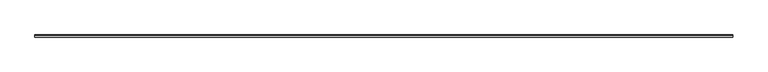
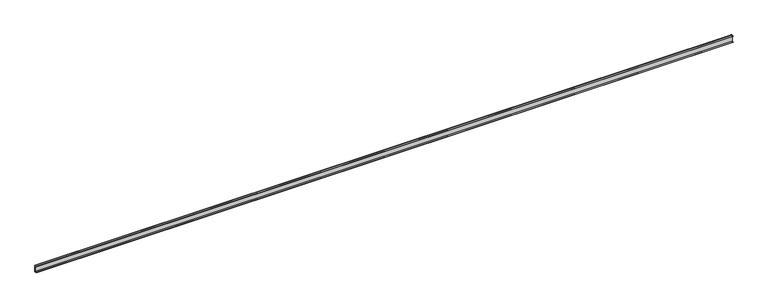
"""IFC4 building model written with IfcOpenShell, lengths in millimetres: proxy geometry."""

from ifc_helpers import new_model, si_unit, point, frame, frame_2d, origin, place, context, project, spatial, polyline, circle_curve, trimmed, segment, composite_curve, outline, extrude, source, transform, mapped, element, save


def mechanical_equipment_5cce51bf(model_context):
    return source(origin(), model_context, "Body", "SweptSolid", [
        extrude(outline(composite_curve([segment(polyline([(-6.0, 36.8), (-6.0, 38.0), (4.8, 38.0)]), True, "CONTINUOUS"), segment(trimmed(circle_curve(frame_2d((4.8, 36.8)), 1.2), [point((4.8, 38.0))], [point((6.0, 36.8))], False, "CARTESIAN"), True, "CONTINUOUS"), segment(polyline([(6.0, 36.8), (6.0, 1.2)]), True, "CONTINUOUS"), segment(trimmed(circle_curve(frame_2d((4.8, 1.2)), 1.2), [point((6.0, 1.2))], [point((4.8, 0.0))], False, "CARTESIAN"), True, "CONTINUOUS"), segment(polyline([(4.8, 0.0), (-6.0, 0.0), (-6.0, 1.2), (4.8, 1.2), (4.8, 36.8), (-6.0, 36.8)]), True, "CONTINUOUS")], self_intersect=False)), frame((0.0, 0.0, 0.0), z_axis=(1.0, 0.0, 0.0), x_axis=(0.0, 1.0, 0.0)), (0.0, 0.0, 1.0), 4000.0),
    ])


if __name__ == "__main__":
    model = new_model("IFC4")
    model_context = context("Model", 3, world=origin())
    ifc_project = project(units=[si_unit("LENGTHUNIT", "METRE", prefix="MILLI")], contexts=[model_context])
    site = spatial("IfcSite", under=ifc_project)
    building = spatial("IfcBuilding", under=site)
    placement = place(None, origin())
    mechanical_equipment_shape = mechanical_equipment_5cce51bf(model_context)
    element("IfcBuildingElementProxy", 1, Name="Mechanical Equipment", at=placement, inside=building, context=model_context, shape_type="MappedRepresentation", body=[
        mapped(mechanical_equipment_shape, transform((0.0, 0.0, 0.0), x_axis=(1.0, 0.0, 0.0), y_axis=(0.0, 1.0, 0.0), z_axis=(0.0, 0.0, 1.0))),
    ])
    save(model, "model.ifc")
